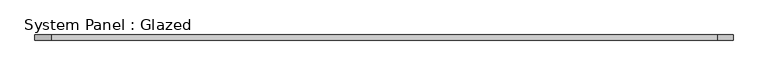
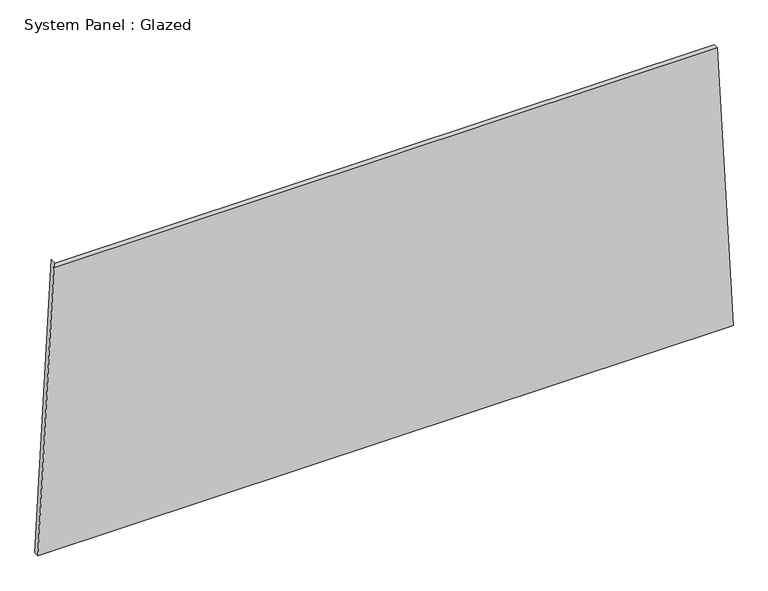
"""IFC4 building model written with IfcOpenShell, lengths in millimetres: plate geometry, System Panel : Glazed."""

from ifc_helpers import new_model, si_unit, frame, origin, place, context, project, spatial, polyline, outline, extrude, source, transform, mapped, element, save


def system_panel_glazed_b56304d2(model_context):
    return source(origin(), model_context, "Body", "SweptSolid", [
        extrude(outline(polyline([(0.0, -1709.7983242), (0.0, 1709.7983242), (1472.8818629, 1631.4453219), (1472.8812275, -1630.1154457), (1497.8812275, -1630.1154505), (0.0, -1709.7983242)])), frame((0.0, -49.5, 0.0), z_axis=(0.0, 1.0, 0.0), x_axis=(0.0, 0.0, 1.0)), (0.0, 0.0, 1.0), 25.0),
    ])


if __name__ == "__main__":
    model = new_model("IFC4")
    model_context = context("Model", 3, world=origin())
    ifc_project = project(units=[si_unit("LENGTHUNIT", "METRE", prefix="MILLI")], contexts=[model_context])
    site = spatial("IfcSite", under=ifc_project)
    building = spatial("IfcBuilding", under=site)
    placement = place(None, origin())
    system_panel_glazed_shape = system_panel_glazed_b56304d2(model_context)
    element("IfcPlate", 1, ObjectType="System Panel : Glazed", at=placement, inside=building, context=model_context, shape_type="MappedRepresentation", body=[
        mapped(system_panel_glazed_shape, transform((0.0, 0.0, 0.0), x_axis=(1.0, 0.0, 0.0), y_axis=(0.0, 1.0, 0.0), z_axis=(0.0, 0.0, 1.0))),
    ])
    save(model, "model.ifc")
